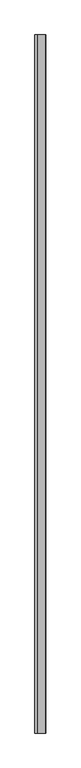
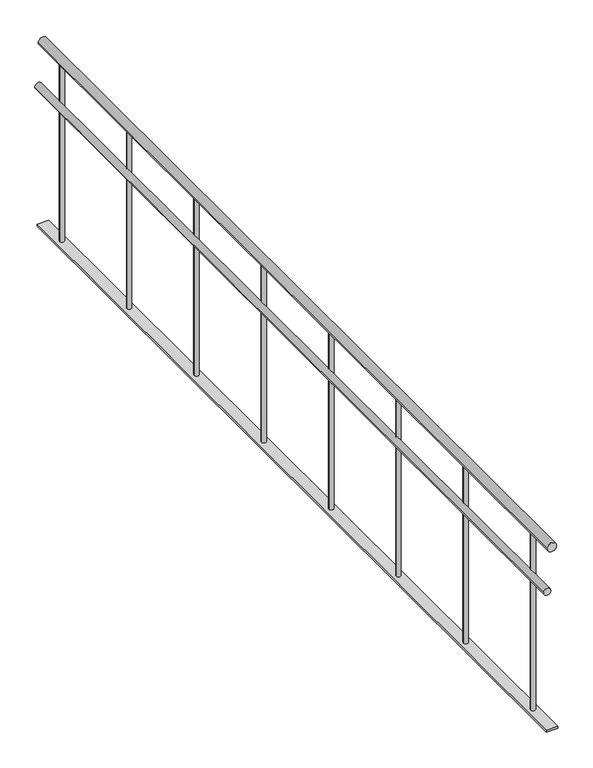
"""IFC4 building model written with IfcOpenShell, lengths in millimetres: railing geometry."""

from ifc_helpers import new_model, si_unit, point, frame, frame_2d, origin, place, context, project, spatial, polyline, circle_curve, trimmed, segment, composite_curve, outline, extrude, source, transform, mapped, element, save


def railing_a20c2838(model_context):
    return source(origin(), model_context, "Body", "SweptSolid", [
        extrude(outline(composite_curve([segment(trimmed(circle_curve(frame_2d((880.0, -28994.9887159)), 20.0), [point((880.0, -28974.9887159))], [point((880.0, -29014.9887159))], False, "CARTESIAN"), True, "CONTINUOUS"), segment(trimmed(circle_curve(frame_2d((880.0, -28994.9887159)), 20.0), [point((880.0, -29014.9887159))], [point((880.0, -28974.9887159))], False, "CARTESIAN"), True, "CONTINUOUS")], self_intersect=False)), frame((0.0, 913.1270954, 0.0), z_axis=(0.0, 1.0, 0.0), x_axis=(0.0, 0.0, 1.0)), (0.0, 0.0, 1.0), 3780.0),
        extrude(outline(composite_curve([segment(trimmed(circle_curve(frame_2d((685.0, -29014.9887159)), 15.0), [point((685.0, -28999.9887159))], [point((685.0, -29029.9887159))], False, "CARTESIAN"), True, "CONTINUOUS"), segment(trimmed(circle_curve(frame_2d((685.0, -29014.9887159)), 15.0), [point((685.0, -29029.9887159))], [point((685.0, -28999.9887159))], False, "CARTESIAN"), True, "CONTINUOUS")], self_intersect=False)), frame((0.0, 913.1270954, 0.0), z_axis=(0.0, 1.0, 0.0), x_axis=(0.0, 0.0, 1.0)), (0.0, 0.0, 1.0), 3780.0),
        extrude(outline(polyline([(-29019.9887159, 4693.1270954), (-28969.9887159, 4693.1270954), (-28969.9887159, 913.1270954), (-29019.9887159, 913.1270954), (-29019.9887159, 4693.1270954)])), frame((0.0, 0.0, 50.0), z_axis=(0.0, 0.0, 1.0), x_axis=(1.0, 0.0, 0.0)), (0.0, 0.0, 1.0), 10.0),
        extrude(outline(composite_curve([segment(trimmed(circle_curve(frame_2d((-28994.9887159, 1053.1270954)), 10.0), [point((-28984.9887159, 1053.1270954))], [point((-29004.9887159, 1053.1270954))], False, "CARTESIAN"), True, "CONTINUOUS"), segment(trimmed(circle_curve(frame_2d((-28994.9887159, 1053.1270954)), 10.0), [point((-29004.9887159, 1053.1270954))], [point((-28984.9887159, 1053.1270954))], False, "CARTESIAN"), True, "CONTINUOUS")], self_intersect=False)), frame((0.0, 0.0, 60.0), z_axis=(0.0, 0.0, 1.0), x_axis=(1.0, 0.0, 0.0)), (0.0, 0.0, 1.0), 800.0),
        extrude(outline(composite_curve([segment(trimmed(circle_curve(frame_2d((-28994.9887159, 1553.1270954)), 10.0), [point((-28984.9887159, 1553.1270954))], [point((-29004.9887159, 1553.1270954))], False, "CARTESIAN"), True, "CONTINUOUS"), segment(trimmed(circle_curve(frame_2d((-28994.9887159, 1553.1270954)), 10.0), [point((-29004.9887159, 1553.1270954))], [point((-28984.9887159, 1553.1270954))], False, "CARTESIAN"), True, "CONTINUOUS")], self_intersect=False)), frame((0.0, 0.0, 60.0), z_axis=(0.0, 0.0, 1.0), x_axis=(1.0, 0.0, 0.0)), (0.0, 0.0, 1.0), 800.0),
        extrude(outline(composite_curve([segment(trimmed(circle_curve(frame_2d((-28994.9887159, 2053.1270954)), 10.0), [point((-28984.9887159, 2053.1270954))], [point((-29004.9887159, 2053.1270954))], False, "CARTESIAN"), True, "CONTINUOUS"), segment(trimmed(circle_curve(frame_2d((-28994.9887159, 2053.1270954)), 10.0), [point((-29004.9887159, 2053.1270954))], [point((-28984.9887159, 2053.1270954))], False, "CARTESIAN"), True, "CONTINUOUS")], self_intersect=False)), frame((0.0, 0.0, 60.0), z_axis=(0.0, 0.0, 1.0), x_axis=(1.0, 0.0, 0.0)), (0.0, 0.0, 1.0), 800.0),
        extrude(outline(composite_curve([segment(trimmed(circle_curve(frame_2d((-28994.9887159, 2553.1270954)), 10.0), [point((-28984.9887159, 2553.1270954))], [point((-29004.9887159, 2553.1270954))], False, "CARTESIAN"), True, "CONTINUOUS"), segment(trimmed(circle_curve(frame_2d((-28994.9887159, 2553.1270954)), 10.0), [point((-29004.9887159, 2553.1270954))], [point((-28984.9887159, 2553.1270954))], False, "CARTESIAN"), True, "CONTINUOUS")], self_intersect=False)), frame((0.0, 0.0, 60.0), z_axis=(0.0, 0.0, 1.0), x_axis=(1.0, 0.0, 0.0)), (0.0, 0.0, 1.0), 800.0),
        extrude(outline(composite_curve([segment(trimmed(circle_curve(frame_2d((-28994.9887159, 3053.1270954)), 10.0), [point((-28984.9887159, 3053.1270954))], [point((-29004.9887159, 3053.1270954))], False, "CARTESIAN"), True, "CONTINUOUS"), segment(trimmed(circle_curve(frame_2d((-28994.9887159, 3053.1270954)), 10.0), [point((-29004.9887159, 3053.1270954))], [point((-28984.9887159, 3053.1270954))], False, "CARTESIAN"), True, "CONTINUOUS")], self_intersect=False)), frame((0.0, 0.0, 60.0), z_axis=(0.0, 0.0, 1.0), x_axis=(1.0, 0.0, 0.0)), (0.0, 0.0, 1.0), 800.0),
        extrude(outline(composite_curve([segment(trimmed(circle_curve(frame_2d((-28994.9887159, 3553.1270954)), 10.0), [point((-28984.9887159, 3553.1270954))], [point((-29004.9887159, 3553.1270954))], False, "CARTESIAN"), True, "CONTINUOUS"), segment(trimmed(circle_curve(frame_2d((-28994.9887159, 3553.1270954)), 10.0), [point((-29004.9887159, 3553.1270954))], [point((-28984.9887159, 3553.1270954))], False, "CARTESIAN"), True, "CONTINUOUS")], self_intersect=False)), frame((0.0, 0.0, 60.0), z_axis=(0.0, 0.0, 1.0), x_axis=(1.0, 0.0, 0.0)), (0.0, 0.0, 1.0), 800.0),
        extrude(outline(composite_curve([segment(trimmed(circle_curve(frame_2d((-28994.9887159, 4053.1270954)), 10.0), [point((-28984.9887159, 4053.1270954))], [point((-29004.9887159, 4053.1270954))], False, "CARTESIAN"), True, "CONTINUOUS"), segment(trimmed(circle_curve(frame_2d((-28994.9887159, 4053.1270954)), 10.0), [point((-29004.9887159, 4053.1270954))], [point((-28984.9887159, 4053.1270954))], False, "CARTESIAN"), True, "CONTINUOUS")], self_intersect=False)), frame((0.0, 0.0, 60.0), z_axis=(0.0, 0.0, 1.0), x_axis=(1.0, 0.0, 0.0)), (0.0, 0.0, 1.0), 800.0),
        extrude(outline(composite_curve([segment(trimmed(circle_curve(frame_2d((-28994.9887159, 4553.1270954)), 10.0), [point((-28984.9887159, 4553.1270954))], [point((-29004.9887159, 4553.1270954))], False, "CARTESIAN"), True, "CONTINUOUS"), segment(trimmed(circle_curve(frame_2d((-28994.9887159, 4553.1270954)), 10.0), [point((-29004.9887159, 4553.1270954))], [point((-28984.9887159, 4553.1270954))], False, "CARTESIAN"), True, "CONTINUOUS")], self_intersect=False)), frame((0.0, 0.0, 60.0), z_axis=(0.0, 0.0, 1.0), x_axis=(1.0, 0.0, 0.0)), (0.0, 0.0, 1.0), 800.0),
    ])


if __name__ == "__main__":
    model = new_model("IFC4")
    model_context = context("Model", 3, world=origin())
    ifc_project = project(units=[si_unit("LENGTHUNIT", "METRE", prefix="MILLI")], contexts=[model_context])
    site = spatial("IfcSite", under=ifc_project)
    building = spatial("IfcBuilding", under=site)
    placement = place(None, origin())
    railing_shape = railing_a20c2838(model_context)
    element("IfcRailing", 1, at=placement, inside=building, context=model_context, shape_type="MappedRepresentation", body=[
        mapped(railing_shape, transform((0.0, 0.0, 0.0), x_axis=(1.0, 0.0, 0.0), y_axis=(0.0, 1.0, 0.0), z_axis=(0.0, 0.0, 1.0))),
    ])
    save(model, "model.ifc")
